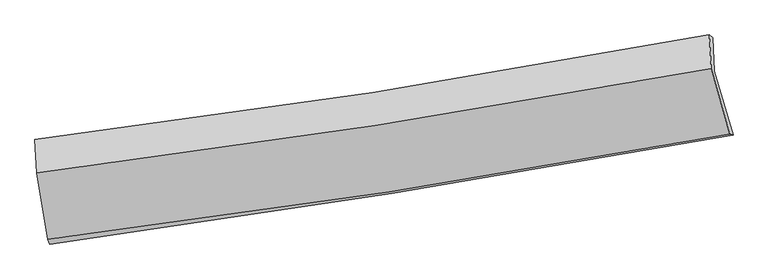
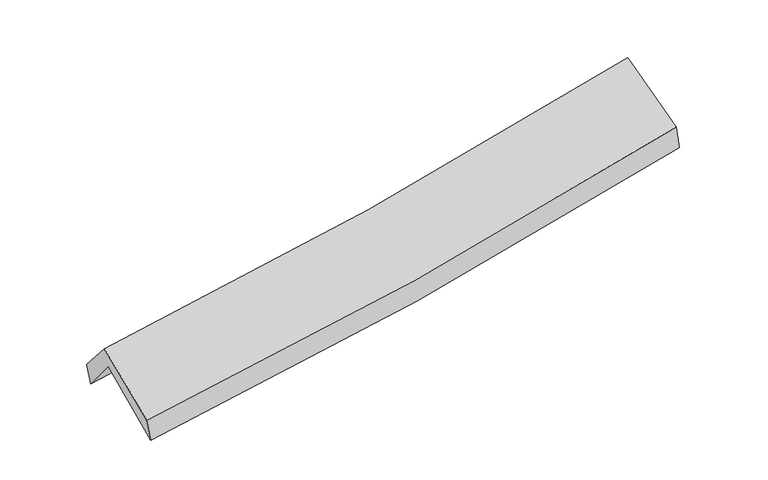
"""IFC4 building model written with IfcOpenShell, lengths in millimetres: proxy geometry."""

import ifcopenshell
import ifcopenshell.guid

model = None  # the IFC model being written
_history = None  # IfcOwnerHistory: only IFC2X3 demands one
_inside = {}  # id of a spatial element -> (the spatial element, [elements in it])
_under = {}  # id of a project, library or spatial element -> (it, [spatial elements below it])
_declared = {}  # id of a project -> (the project, [libraries it declares])
_typed = {}  # id of a type object -> (the type object, [elements of that type])
_made_of = {}  # id of a material, layer set ... -> (it, [elements and type objects made of it])


def new_model(schema):
    """Start an empty IFC model of exactly this schema.

    Asked for "IFC4X3", IfcOpenShell would pick the latest addendum, in which some entities
    have other attributes; the version numbers below select the first issue.
    IFC2X3 requires an IfcOwnerHistory on every rooted entity: one is made here for all.
    """
    global model, _history
    if schema == "IFC4X3":
        model = ifcopenshell.file(schema_version=(4, 3, 0, 0))
    else:
        model = ifcopenshell.file(schema=schema)
    _inside.clear()
    _under.clear()
    _declared.clear()
    _typed.clear()
    _made_of.clear()
    _history = None
    if model.schema == "IFC2X3":
        org = make("IfcOrganization", Name="unknown")
        user = make(
            "IfcPersonAndOrganization",
            ThePerson=make("IfcPerson", FamilyName="unknown"),
            TheOrganization=org,
        )
        app = make(
            "IfcApplication",
            ApplicationDeveloper=org,
            Version="unknown",
            ApplicationFullName="unknown",
            ApplicationIdentifier="unknown",
        )
        _history = make(
            "IfcOwnerHistory",
            OwningUser=user,
            OwningApplication=app,
            ChangeAction="ADDED",
            CreationDate=0,
        )
    return model


def make(cls, **values):
    """One entity of the class cls with the attributes given. An attribute that is None is left unset."""
    return model.create_entity(
        cls, **{name: value for name, value in values.items() if value is not None}
    )


def rooted(cls, **values):
    """An entity with a GlobalId (a new one), such as an element, a storey or a relation."""
    return make(cls, GlobalId=ifcopenshell.guid.new(), OwnerHistory=_history, **values)


def si_unit(unit_type, name, prefix=None):
    """IfcSIUnit, for example si_unit("LENGTHUNIT", "METRE", prefix="MILLI")."""
    return make("IfcSIUnit", UnitType=unit_type, Prefix=prefix, Name=name)


def assignment(units):
    """IfcUnitAssignment: the units of a project."""
    return None if units is None else make("IfcUnitAssignment", Units=units)


def point(xyz):
    """IfcCartesianPoint."""
    return None if xyz is None else make("IfcCartesianPoint", Coordinates=xyz)


def direction(xyz):
    """IfcDirection."""
    return None if xyz is None else make("IfcDirection", DirectionRatios=xyz)


def frame(location, z_axis=None, x_axis=None):
    """IfcAxis2Placement3D, a coordinate frame: its origin and axes. An axis left out is left unset."""
    return make(
        "IfcAxis2Placement3D",
        Location=point(location),
        Axis=direction(z_axis),
        RefDirection=direction(x_axis),
    )


def origin():
    """The frame at (0, 0, 0) with its axes left unset."""
    return frame((0.0, 0.0, 0.0))


def place(relative_to, where):
    """IfcLocalPlacement: puts the frame where relative to a parent placement (None: the world)."""
    return make(
        "IfcLocalPlacement", PlacementRelTo=relative_to, RelativePlacement=where
    )


def context(
    kind, dimensions, precision=None, world=None, true_north=None, identifier=None
):
    """IfcGeometricRepresentationContext, for example the 3D "Model" context."""
    return make(
        "IfcGeometricRepresentationContext",
        ContextIdentifier=identifier,
        ContextType=kind,
        CoordinateSpaceDimension=dimensions,
        Precision=precision,
        WorldCoordinateSystem=world,
        TrueNorth=true_north,
    )


def project(units=None, contexts=None):
    """IfcProject with its units and contexts."""
    return rooted(
        "IfcProject",
        Name="project",
        RepresentationContexts=contexts,
        UnitsInContext=assignment(units),
    )


def spatial(cls, under=None, at=None, **own):
    """A site, building, storey or space (cls), placed at a placement, below another one or the project."""
    s = rooted(cls, ObjectPlacement=at, **own)
    if under is not None:
        _under.setdefault(under.id(), (under, []))[1].append(s)
    return s


def shape(context_of_items, identifier, shape_type, items):
    """IfcShapeRepresentation: the items that make up one representation, for example the "Body"."""
    return make(
        "IfcShapeRepresentation",
        ContextOfItems=context_of_items,
        RepresentationIdentifier=identifier,
        RepresentationType=shape_type,
        Items=items,
    )


def source(mapping_origin, context_of_items, identifier, shape_type, items):
    """IfcRepresentationMap: a shape defined once, which mapped items show again and again."""
    return make(
        "IfcRepresentationMap",
        MappingOrigin=mapping_origin,
        MappedRepresentation=shape(context_of_items, identifier, shape_type, items),
    )


def transform(
    local_origin,
    x_axis=None,
    y_axis=None,
    z_axis=None,
    scale=None,
    scale2=None,
    scale3=None,
    uniform=True,
):
    """IfcCartesianTransformationOperator3D, or its non-uniform kind. x_axis, y_axis, z_axis: its Axis1, 2, 3."""
    if uniform:
        return make(
            "IfcCartesianTransformationOperator3D",
            Axis1=direction(x_axis),
            Axis2=direction(y_axis),
            LocalOrigin=point(local_origin),
            Scale=scale,
            Axis3=direction(z_axis),
        )
    return make(
        "IfcCartesianTransformationOperator3DnonUniform",
        Axis1=direction(x_axis),
        Axis2=direction(y_axis),
        LocalOrigin=point(local_origin),
        Scale=scale,
        Axis3=direction(z_axis),
        Scale2=scale2,
        Scale3=scale3,
    )


def mapped(mapping_source, mapping_target):
    """IfcMappedItem: shows the shape of a source again, moved by a transform."""
    return make(
        "IfcMappedItem", MappingSource=mapping_source, MappingTarget=mapping_target
    )


def made_of(thing, what):
    """Note that an element or type object is made of a material, layer set ...; save() writes the relation."""
    if what is not None:
        _made_of.setdefault(what.id(), (what, []))[1].append(thing)
    return thing


def element(
    cls,
    number,
    at=None,
    inside=None,
    cuts=None,
    type_object=None,
    material=None,
    context=None,
    identifier="Body",
    shape_type=None,
    held_by="IfcProductDefinitionShape",
    body=None,
    shapes=None,
    **own,
):
    """One element of the class cls, such as IfcWall. Its Tag is "e" and its number.

    at: its placement. inside: the storey or other place that contains it. cuts: it is an
    opening in that element (IfcRelVoidsElement). A single representation is given by context,
    identifier, shape_type and body (its items); several are given by shapes. held_by: the class
    of the entity that holds the representations. save() writes the other relations.
    """
    e = rooted(cls, Tag="e%d" % number, ObjectPlacement=at, **own)
    if body is not None:
        shapes = [shape(context, identifier, shape_type, body)]
    if shapes is not None:
        e.Representation = make(held_by, Representations=shapes)
    if inside is not None:
        _inside.setdefault(inside.id(), (inside, []))[1].append(e)
    if cuts is not None:
        rooted(
            "IfcRelVoidsElement", RelatingBuildingElement=cuts, RelatedOpeningElement=e
        )
    if type_object is not None:
        _typed.setdefault(type_object.id(), (type_object, []))[1].append(e)
    return made_of(e, material)


def aggregate(whole, parts):
    """IfcRelAggregates: a whole, such as a stair, and the parts it consists of."""
    return rooted("IfcRelAggregates", RelatingObject=whole, RelatedObjects=parts)


def save(model, path):
    """Write the relations noted so far, then the file.

    IfcRelAggregates (storeys below a building ...), IfcRelContainedInSpatialStructure (elements
    in a storey), IfcRelDefinesByType, IfcRelAssociatesMaterial and IfcRelDeclares: one each for
    every whole, place, type object, material and project.
    """
    for whole, parts in _under.values():
        aggregate(whole, parts)
    for where, things in _inside.values():
        rooted(
            "IfcRelContainedInSpatialStructure",
            RelatedElements=things,
            RelatingStructure=where,
        )
    for kind, things in _typed.values():
        rooted("IfcRelDefinesByType", RelatedObjects=things, RelatingType=kind)
    for what, things in _made_of.values():
        rooted("IfcRelAssociatesMaterial", RelatedObjects=things, RelatingMaterial=what)
    for by, libraries in _declared.values():
        rooted("IfcRelDeclares", RelatingContext=by, RelatedDefinitions=libraries)
    model.write(path)


def plane_surface(at):
    """IfcPlane: the flat surface through the origin of the frame at, square to its z axis."""
    return make("IfcPlane", Position=at)


def spline_curve(degree, points, multiplicities, knots, weights=None):
    """IfcBSplineCurveWithKnots; with weights, IfcRationalBSplineCurveWithKnots."""
    own = dict(
        Degree=degree,
        ControlPointsList=[point(p) for p in points],
        CurveForm="UNSPECIFIED",
        ClosedCurve=False,
        SelfIntersect=False,
        KnotMultiplicities=multiplicities,
        Knots=knots,
        KnotSpec="UNSPECIFIED",
    )
    if weights is None:
        return make("IfcBSplineCurveWithKnots", **own)
    return make("IfcRationalBSplineCurveWithKnots", WeightsData=weights, **own)


def spline_surface(u_degree, v_degree, points, u_multiplicities, v_multiplicities, u_knots, v_knots, weights=None):
    """IfcBSplineSurfaceWithKnots; with weights, IfcRationalBSplineSurfaceWithKnots. points: one row for each step in u."""
    own = dict(
        UDegree=u_degree,
        VDegree=v_degree,
        ControlPointsList=[[point(p) for p in row] for row in points],
        SurfaceForm="UNSPECIFIED",
        UClosed=False,
        VClosed=False,
        SelfIntersect=False,
        UMultiplicities=u_multiplicities,
        VMultiplicities=v_multiplicities,
        UKnots=u_knots,
        VKnots=v_knots,
        KnotSpec="UNSPECIFIED",
    )
    if weights is None:
        return make("IfcBSplineSurfaceWithKnots", **own)
    return make("IfcRationalBSplineSurfaceWithKnots", WeightsData=weights, **own)


def advanced_brep(points, edges, surfaces, faces):
    """IfcAdvancedBrep: a solid bounded by faces that lie on surfaces and meet in shared edges.

    An edge is (start, end): straight between two places in points (the first is 0);
    or (start, end, curve); or (start, end, curve, False) where it runs against its curve.
    A face is (place in surfaces, loops), or (place, loops, False) where it looks against
    its surface's normal. A loop lists edges by number (the first is 1), with a minus sign
    where the edge is run from its end to its start. The first loop is the outer one.
    """
    corners = [point(p) for p in points]
    vertices = [make("IfcVertexPoint", VertexGeometry=c) for c in corners]
    made = []
    for start, end, *more in edges:
        made.append(
            make(
                "IfcEdgeCurve",
                EdgeStart=vertices[start],
                EdgeEnd=vertices[end],
                EdgeGeometry=more[0] if more else make("IfcPolyline", Points=[corners[start], corners[end]]),
                SameSense=more[1] if len(more) > 1 else True,
            )
        )
    hull = []
    for where, loops, *sense in faces:
        bounds = []
        for j, loop in enumerate(loops):
            ring = [make("IfcOrientedEdge", EdgeElement=made[abs(k) - 1], Orientation=k > 0) for k in loop]
            bounds.append(
                make(
                    "IfcFaceOuterBound" if j == 0 else "IfcFaceBound",
                    Bound=make("IfcEdgeLoop", EdgeList=ring),
                    Orientation=True,
                )
            )
        hull.append(make("IfcAdvancedFace", Bounds=bounds, FaceSurface=surfaces[where], SameSense=sense[0] if sense else True))
    return make("IfcAdvancedBrep", Outer=make("IfcClosedShell", CfsFaces=hull))


def generic_models_2fe425f3(model_context):
    return source(origin(), model_context, "Body", "AdvancedBrep", [
        advanced_brep(
        [(-2546.9314686, -2492.8651619, 1482.1199399), (-2635.5575921, -1979.936561, 1911.129994), (2567.0833732, -1160.897047, 2371.1951125), (2712.1711111, -1651.8851441, 1932.3383566), (-2646.5021178, -1727.0364199, 1594.4860867), (2555.2744656, -900.9183972, 2054.6876555), (-2661.7190421, -1688.0494793, 1763.8518329), (2529.6559847, -879.4665039, 2236.6258894), (-2649.0341872, -1945.0274028, 2060.3826516), (2543.4286267, -1141.1857491, 2539.3413032), (-2562.3758251, -2455.9283174, 1659.1507623), (2687.3642392, -1643.3556635, 2128.1123159)],
        [
            (0, 1),
            (1, 2, spline_curve(3, [(-2635.5575921, -1979.936561, 1911.129994), (-1764.090714802, -1868.628840559, 1968.410327712), (-895.526904005, -1744.857244369, 2035.308709183), (838.706313353, -1471.928061079, 2188.59893776), (1704.356157731, -1322.686485658, 2275.055595489), (2567.0833732, -1160.897047, 2371.1951125)], [4, 2, 4], [0.0, 8.707489909045623, 17.444268249348383])),
            (2, 3),
            (3, 0, spline_curve(3, [(2712.1711111, -1651.8851441, 1932.3383566), (1839.521971271, -1811.910830778, 1824.873122593), (964.198546735, -1962.106530942, 1733.586429807), (-788.853546629, -2242.367407601, 1583.621913758), (-1666.564315245, -2372.498380259, 1524.83580062), (-2546.9314686, -2492.8651619, 1482.1199399)], [4, 2, 4], [0.0, 8.73677834030276, 17.444268249348383])),
            (1, 4),
            (4, 5, spline_curve(3, [(-2646.5021178, -1727.0364199, 1594.4860867), (-1774.360640893, -1615.137813878, 1644.466287161), (-905.530754213, -1490.482382315, 1707.719806501), (828.417089026, -1215.195669909, 1861.030887052), (1693.512729797, -1064.478427111, 1951.177890913), (2555.2744656, -900.9183972, 2054.6876555)], [4, 2, 4], [0.0, 8.660142752235826, 17.349414679276936])),
            (5, 2),
            (4, 6),
            (6, 7, spline_curve(3, [(-2661.7190421, -1688.0494793, 1763.8518329), (-1791.568901946, -1578.968062558, 1819.978706464), (-924.600243164, -1457.17994183, 1887.354914483), (805.879537598, -1187.737907242, 2044.870463052), (1669.369221151, -1039.998369605, 2135.08560717), (2529.6559847, -879.4665039, 2236.6258894)], [4, 2, 4], [0.0, 8.65080429151304, 17.330706347072606])),
            (7, 5),
            (6, 8),
            (8, 9, spline_curve(3, [(-2649.0341872, -1945.0274028, 2060.3826516), (-1778.864508341, -1833.491836309, 2113.624824837), (-911.795719166, -1710.868365364, 2180.069914836), (819.046113876, -1442.995863108, 2339.63383085), (1682.798262893, -1297.67211655, 2432.841624792), (2543.4286267, -1141.1857491, 2539.3413032)], [4, 2, 4], [0.0, 8.641722236709052, 17.312511689150412])),
            (9, 7),
            (8, 10),
            (10, 11, spline_curve(3, [(-2562.3758251, -2455.9283174, 1659.1507623), (-1682.803184828, -2348.591281513, 1711.307463994), (-806.267931631, -2227.345458076, 1776.378610462), (943.665890849, -1956.581630944, 1932.61210454), (1817.043992066, -1806.969903143, 2023.861475998), (2687.3642392, -1643.3556635, 2128.1123159)], [4, 2, 4], [0.0, 8.689225860355826, 17.407678719186194])),
            (11, 9),
            (10, 0),
            (3, 11),
        ],
        [
            spline_surface(3, 3, [[(-2546.9314686, -2492.8651619, 1482.1199399), (-1666.564315317, -2372.498380162, 1524.83580071), (-788.853546591, -2242.367407591, 1583.621913646), (964.198546698, -1962.106530952, 1733.58642992), (1839.521971161, -1811.910830902, 1824.87312251), (2712.1711111, -1651.8851441, 1932.3383566)], [(-2576.473509766, -2321.888961588, 1625.123291274), (-1699.073115172, -2204.541866948, 1672.693976409), (-824.411332419, -2076.53068654, 1734.184178863), (922.367802243, -1798.713707595, 1885.257265823), (1794.466699961, -1648.836049138, 1974.933946863), (2663.808531785, -1488.222445058, 2078.623941882)], [(-2606.015550934, -2150.912761312, 1768.126642626), (-1731.581915029, -2036.585353768, 1820.552152085), (-859.969118201, -1910.693965553, 1884.746444089), (880.537057832, -1635.320884302, 2036.928101734), (1749.411428806, -1485.761267401, 2124.994771269), (2615.445952515, -1324.559746042, 2224.909527218)], [(-2635.5575921, -1979.936561, 1911.129994), (-1764.090714884, -1868.628840554, 1968.410327783), (-895.526904029, -1744.857244503, 2035.308709306), (838.706313377, -1471.928060945, 2188.598937636), (1704.356157606, -1322.686485637, 2275.055595622), (2567.0833732, -1160.897047, 2371.1951125)]], [4, 4], [4, 2, 4], [0.0, 2.2321373216305185], [0.0, 8.707489909045623, 17.444268249348383]),
            spline_surface(3, 3, [[(-2635.5575921, -1979.936561, 1911.129994), (-1764.090714884, -1868.628840554, 1968.410327783), (-895.526904029, -1744.857244503, 2035.308709306), (838.706313377, -1471.928060945, 2188.598937636), (1704.356157606, -1322.686485637, 2275.055595622), (2567.0833732, -1160.897047, 2371.1951125)], [(-2639.205767334, -1895.636513977, 1805.582024914), (-1767.514023556, -1784.131831656, 1860.428980939), (-898.861520695, -1660.065623782, 1926.112408367), (835.276571894, -1386.350597271, 2079.409587499), (1700.74168169, -1236.61713282, 2167.096360724), (2563.147070682, -1074.237497077, 2265.692626846)], [(-2642.853942566, -1811.336466923, 1700.034055786), (-1770.937332226, -1699.634822729, 1752.447634055), (-902.196137405, -1575.27400304, 1816.916107348), (831.846830367, -1300.773133577, 1970.220237282), (1697.127205728, -1150.547779971, 2059.13712579), (2559.210768118, -987.577947123, 2160.190141154)], [(-2646.5021178, -1727.0364199, 1594.4860867), (-1774.360640897, -1615.137813831, 1644.466287211), (-905.530754072, -1490.48238232, 1707.719806408), (828.417088884, -1215.195669904, 1861.030887145), (1693.512729812, -1064.478427155, 1951.177890892), (2555.2744656, -900.9183972, 2054.6876555)]], [4, 4], [4, 2, 4], [0.0, 1.3635048144829718], [0.0, 8.660142752235826, 17.349414679276936]),
            spline_surface(3, 3, [[(-2646.5021178, -1727.0364199, 1594.4860867), (-1774.360640897, -1615.137813831, 1644.466287211), (-905.530754072, -1490.48238232, 1707.719806408), (828.417088884, -1215.195669904, 1861.030887145), (1693.512729812, -1064.478427155, 1951.177890892), (2555.2744656, -900.9183972, 2054.6876555)], [(-2651.574425899, -1714.040773029, 1650.941335408), (-1780.096727877, -1603.081230031, 1702.97042697), (-911.88725045, -1479.381568802, 1767.598175749), (820.904571744, -1206.043082396, 1922.310745769), (1685.464893554, -1056.318407955, 2012.480463017), (2546.73497195, -893.767766102, 2115.333733452)], [(-2656.646734001, -1701.045126171, 1707.396584192), (-1785.832814858, -1591.024646243, 1761.474566804), (-918.24374674, -1468.280755247, 1827.476545133), (813.392054692, -1196.89049485, 1983.590604438), (1677.417057346, -1048.158388748, 2073.783035185), (2538.19547835, -886.617134998, 2175.979811448)], [(-2661.7190421, -1688.0494793, 1763.8518329), (-1791.568901837, -1578.968062442, 1819.978706563), (-924.600243118, -1457.179941729, 1887.354914473), (805.879537552, -1187.737907343, 2044.870463062), (1669.369221088, -1039.998369548, 2135.085607309), (2529.6559847, -879.4665039, 2236.6258894)]], [4, 4], [4, 2, 4], [0.0, 0.6083848900628843], [0.0, 8.65080429151304, 17.330706347072606]),
            spline_surface(3, 3, [[(-2661.7190421, -1688.0494793, 1763.8518329), (-1791.568901837, -1578.968062442, 1819.978706563), (-924.600243118, -1457.179941729, 1887.354914473), (805.879537552, -1187.737907343, 2044.870463062), (1669.369221088, -1039.998369548, 2135.085607309), (2529.6559847, -879.4665039, 2236.6258894)], [(-2657.490757136, -1773.708787145, 1862.695439153), (-1787.334104022, -1663.809320449, 1917.860746039), (-920.33206848, -1541.742749572, 1984.926581255), (810.268396403, -1272.823892607, 2143.124919004), (1673.845568353, -1125.889618488, 2234.337613174), (2534.246865373, -966.70625228, 2337.531027339)], [(-2653.262472164, -1859.368094955, 1961.539045347), (-1783.0993062, -1748.65057842, 2015.742785456), (-916.063893938, -1626.305557454, 2082.498248026), (814.657255159, -1357.909877911, 2241.379374936), (1678.321915599, -1211.780867488, 2333.589619023), (2538.837746027, -1053.94600072, 2438.436165261)], [(-2649.0341872, -1945.0274028, 2060.3826516), (-1778.864508384, -1833.491836427, 2113.624824932), (-911.7957193, -1710.868365297, 2180.069914808), (819.04611401, -1442.995863175, 2339.633830879), (1682.798262864, -1297.672116429, 2432.841624888), (2543.4286267, -1141.1857491, 2539.3413032)]], [4, 4], [4, 2, 4], [0.0, 1.2757841600247264], [0.0, 8.641722236709052, 17.312511689150412]),
            spline_surface(3, 3, [[(-2649.0341872, -1945.0274028, 2060.3826516), (-1778.864508384, -1833.491836427, 2113.624824932), (-911.7957193, -1710.868365297, 2180.069914808), (819.04611401, -1442.995863175, 2339.633830879), (1682.798262864, -1297.672116429, 2432.841624888), (2543.4286267, -1141.1857491, 2539.3413032)], [(-2620.148066505, -2115.32770766, 1926.638688509), (-1746.844067207, -2005.19165146, 1979.519037974), (-876.619790049, -1883.027396214, 2045.50614671), (860.586039556, -1614.191119131, 2203.959922063), (1727.546839269, -1467.43804537, 2296.514908539), (2591.407164192, -1308.57572057, 2402.26497409)], [(-2591.261945795, -2285.62801254, 1792.894725391), (-1714.823626013, -2176.891466514, 1845.413250988), (-841.443860739, -2055.186427095, 1910.942378639), (902.12596516, -1785.386375051, 2068.286013275), (1772.295415699, -1637.203974302, 2160.188192221), (2639.385701708, -1475.96569203, 2265.18864501)], [(-2562.3758251, -2455.9283174, 1659.1507623), (-1682.803184835, -2348.591281547, 1711.307464031), (-806.267931488, -2227.345458013, 1776.378610542), (943.665890706, -1956.581631007, 1932.61210446), (1817.043992104, -1806.969903244, 2023.861475872), (2687.3642392, -1643.3556635, 2128.1123159)]], [4, 4], [4, 2, 4], [0.0, 2.1832261331522655], [0.0, 8.689225860355826, 17.407678719186194]),
            spline_surface(3, 3, [[(-2562.3758251, -2455.9283174, 1659.1507623), (-1682.803184835, -2348.591281547, 1711.307464031), (-806.267931488, -2227.345458013, 1776.378610542), (943.665890706, -1956.581631007, 1932.61210446), (1817.043992104, -1806.969903244, 2023.861475872), (2687.3642392, -1643.3556635, 2128.1123159)], [(-2557.22770626, -2468.240598901, 1600.140488142), (-1677.390228322, -2356.56031442, 1649.150242899), (-800.463136505, -2232.352774541, 1712.12637824), (950.510109388, -1958.423264324, 1866.270212943), (1824.536651808, -1808.616879142, 1957.532024776), (2695.633196518, -1646.198823712, 2062.854329491)], [(-2552.07958744, -2480.552880399, 1541.130214058), (-1671.97727183, -2364.529347289, 1586.993021842), (-794.658341575, -2237.360091063, 1647.874145949), (957.354328016, -1960.264897634, 1799.928321437), (1832.029311457, -1810.263855004, 1891.202573606), (2703.902153782, -1649.041983888, 1997.596343009)], [(-2546.9314686, -2492.8651619, 1482.1199399), (-1666.564315317, -2372.498380162, 1524.83580071), (-788.853546591, -2242.367407591, 1583.621913646), (964.198546698, -1962.106530952, 1733.58642992), (1839.521971161, -1811.910830902, 1824.87312251), (2712.1711111, -1651.8851441, 1932.3383566)]], [4, 4], [4, 2, 4], [0.0, 0.6466075154805649], [0.0, 8.745669695583024, 17.52075624359451]),
            plane_surface(frame((2599.1629668, -1229.6180841, 2210.3834388), z_axis=(0.9759050819822594, 0.18505897788054226, 0.11559604520488051), x_axis=(0.21649927961496968, -0.755333741559678, -0.6185458760574327))),
            plane_surface(frame((-2617.0200388, -2048.140557, 1745.1868779), z_axis=(-0.9908926044370849, -0.11981691889797236, -0.061447151420447765), x_axis=(-0.08509220084628832, 0.2035071766702885, 0.9753687233035633))),
        ],
        [
            (0, [[1, 2, 3, 4]]),
            (1, [[5, 6, 7, -2]]),
            (2, [[8, 9, 10, -6]]),
            (3, [[11, 12, 13, -9]]),
            (4, [[14, 15, 16, -12]]),
            (5, [[17, -4, 18, -15]]),
            (6, [[-16, -18, -3, -7, -10, -13]]),
            (7, [[-17, -14, -11, -8, -5, -1]]),
        ],
    ),
    ])


if __name__ == "__main__":
    model = new_model("IFC4")
    model_context = context("Model", 3, world=origin())
    ifc_project = project(units=[si_unit("LENGTHUNIT", "METRE", prefix="MILLI")], contexts=[model_context])
    site = spatial("IfcSite", under=ifc_project)
    building = spatial("IfcBuilding", under=site)
    placement = place(None, origin())
    generic_models_shape = generic_models_2fe425f3(model_context)
    element("IfcBuildingElementProxy", 1, Name="Generic Models", at=placement, inside=building, context=model_context, shape_type="MappedRepresentation", body=[
        mapped(generic_models_shape, transform((0.0, 0.0, 0.0), x_axis=(1.0, 0.0, 0.0), y_axis=(0.0, 1.0, 0.0), z_axis=(0.0, 0.0, 1.0))),
    ])
    save(model, "model.ifc")
